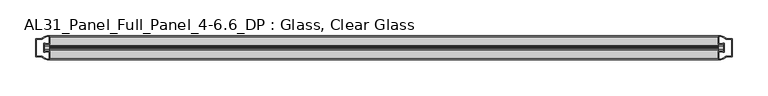
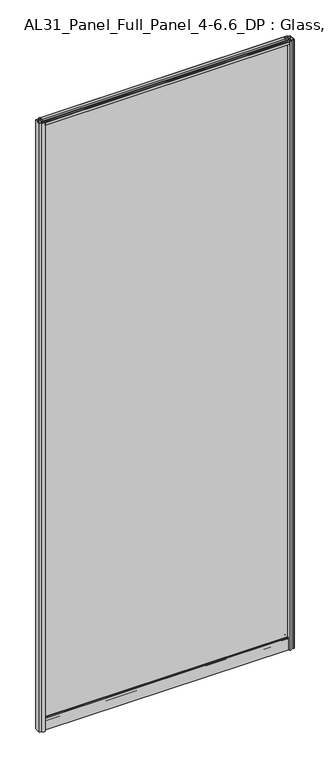
"""IFC4 building model written with IfcOpenShell, lengths in millimetres: plate geometry, AL31_Panel_Full_Panel_4-6.6_DP : Glass, Clear Glass."""

import ifcopenshell
import ifcopenshell.guid

model = None  # the IFC model being written
_history = None  # IfcOwnerHistory: only IFC2X3 demands one
_inside = {}  # id of a spatial element -> (the spatial element, [elements in it])
_under = {}  # id of a project, library or spatial element -> (it, [spatial elements below it])
_declared = {}  # id of a project -> (the project, [libraries it declares])
_typed = {}  # id of a type object -> (the type object, [elements of that type])
_made_of = {}  # id of a material, layer set ... -> (it, [elements and type objects made of it])


def new_model(schema):
    """Start an empty IFC model of exactly this schema.

    Asked for "IFC4X3", IfcOpenShell would pick the latest addendum, in which some entities
    have other attributes; the version numbers below select the first issue.
    IFC2X3 requires an IfcOwnerHistory on every rooted entity: one is made here for all.
    """
    global model, _history
    if schema == "IFC4X3":
        model = ifcopenshell.file(schema_version=(4, 3, 0, 0))
    else:
        model = ifcopenshell.file(schema=schema)
    _inside.clear()
    _under.clear()
    _declared.clear()
    _typed.clear()
    _made_of.clear()
    _history = None
    if model.schema == "IFC2X3":
        org = make("IfcOrganization", Name="unknown")
        user = make(
            "IfcPersonAndOrganization",
            ThePerson=make("IfcPerson", FamilyName="unknown"),
            TheOrganization=org,
        )
        app = make(
            "IfcApplication",
            ApplicationDeveloper=org,
            Version="unknown",
            ApplicationFullName="unknown",
            ApplicationIdentifier="unknown",
        )
        _history = make(
            "IfcOwnerHistory",
            OwningUser=user,
            OwningApplication=app,
            ChangeAction="ADDED",
            CreationDate=0,
        )
    return model


def make(cls, **values):
    """One entity of the class cls with the attributes given. An attribute that is None is left unset."""
    return model.create_entity(
        cls, **{name: value for name, value in values.items() if value is not None}
    )


def rooted(cls, **values):
    """An entity with a GlobalId (a new one), such as an element, a storey or a relation."""
    return make(cls, GlobalId=ifcopenshell.guid.new(), OwnerHistory=_history, **values)


def si_unit(unit_type, name, prefix=None):
    """IfcSIUnit, for example si_unit("LENGTHUNIT", "METRE", prefix="MILLI")."""
    return make("IfcSIUnit", UnitType=unit_type, Prefix=prefix, Name=name)


def assignment(units):
    """IfcUnitAssignment: the units of a project."""
    return None if units is None else make("IfcUnitAssignment", Units=units)


def point(xyz):
    """IfcCartesianPoint."""
    return None if xyz is None else make("IfcCartesianPoint", Coordinates=xyz)


def direction(xyz):
    """IfcDirection."""
    return None if xyz is None else make("IfcDirection", DirectionRatios=xyz)


def frame(location, z_axis=None, x_axis=None):
    """IfcAxis2Placement3D, a coordinate frame: its origin and axes. An axis left out is left unset."""
    return make(
        "IfcAxis2Placement3D",
        Location=point(location),
        Axis=direction(z_axis),
        RefDirection=direction(x_axis),
    )


def frame_2d(location, x_axis=None):
    """IfcAxis2Placement2D, a coordinate frame in the plane: its origin and x axis."""
    return make(
        "IfcAxis2Placement2D", Location=point(location), RefDirection=direction(x_axis)
    )


def origin():
    """The frame at (0, 0, 0) with its axes left unset."""
    return frame((0.0, 0.0, 0.0))


def origin_with_axes():
    """The frame at (0, 0, 0) with the z axis (0, 0, 1) and the x axis (1, 0, 0) written out."""
    return frame((0.0, 0.0, 0.0), z_axis=(0.0, 0.0, 1.0), x_axis=(1.0, 0.0, 0.0))


def place(relative_to, where):
    """IfcLocalPlacement: puts the frame where relative to a parent placement (None: the world)."""
    return make(
        "IfcLocalPlacement", PlacementRelTo=relative_to, RelativePlacement=where
    )


def context(
    kind, dimensions, precision=None, world=None, true_north=None, identifier=None
):
    """IfcGeometricRepresentationContext, for example the 3D "Model" context."""
    return make(
        "IfcGeometricRepresentationContext",
        ContextIdentifier=identifier,
        ContextType=kind,
        CoordinateSpaceDimension=dimensions,
        Precision=precision,
        WorldCoordinateSystem=world,
        TrueNorth=true_north,
    )


def project(units=None, contexts=None):
    """IfcProject with its units and contexts."""
    return rooted(
        "IfcProject",
        Name="project",
        RepresentationContexts=contexts,
        UnitsInContext=assignment(units),
    )


def spatial(cls, under=None, at=None, **own):
    """A site, building, storey or space (cls), placed at a placement, below another one or the project."""
    s = rooted(cls, ObjectPlacement=at, **own)
    if under is not None:
        _under.setdefault(under.id(), (under, []))[1].append(s)
    return s


def polyline(points):
    """IfcPolyline through the points."""
    return make("IfcPolyline", Points=[point(p) for p in points])


def circle_curve(where, radius):
    """IfcCircle in the frame where."""
    return make("IfcCircle", Position=where, Radius=radius)


def trimmed(basis, trim1, trim2, sense, master):
    """IfcTrimmedCurve: the piece of a basis curve between two trims."""
    return make(
        "IfcTrimmedCurve",
        BasisCurve=basis,
        Trim1=trim1,
        Trim2=trim2,
        SenseAgreement=sense,
        MasterRepresentation=master,
    )


def segment(curve, same_sense, transition):
    """IfcCompositeCurveSegment."""
    return make(
        "IfcCompositeCurveSegment",
        Transition=transition,
        SameSense=same_sense,
        ParentCurve=curve,
    )


def composite_curve(segments, self_intersect=None):
    """IfcCompositeCurve: segments joined end to end."""
    return make("IfcCompositeCurve", Segments=segments, SelfIntersect=self_intersect)


def outline(outer, holes=None, kind="AREA"):
    """IfcArbitraryClosedProfileDef: a profile drawn as a closed curve; with holes, ...WithVoids."""
    if holes is None:
        return make("IfcArbitraryClosedProfileDef", ProfileType=kind, OuterCurve=outer)
    return make(
        "IfcArbitraryProfileDefWithVoids",
        ProfileType=kind,
        OuterCurve=outer,
        InnerCurves=holes,
    )


def extrude(swept, where, along, depth):
    """IfcExtrudedAreaSolid: the profile swept, set in the frame where, extruded along a direction by depth."""
    return make(
        "IfcExtrudedAreaSolid",
        SweptArea=swept,
        Position=where,
        ExtrudedDirection=direction(along),
        Depth=depth,
    )


def shape(context_of_items, identifier, shape_type, items):
    """IfcShapeRepresentation: the items that make up one representation, for example the "Body"."""
    return make(
        "IfcShapeRepresentation",
        ContextOfItems=context_of_items,
        RepresentationIdentifier=identifier,
        RepresentationType=shape_type,
        Items=items,
    )


def source(mapping_origin, context_of_items, identifier, shape_type, items):
    """IfcRepresentationMap: a shape defined once, which mapped items show again and again."""
    return make(
        "IfcRepresentationMap",
        MappingOrigin=mapping_origin,
        MappedRepresentation=shape(context_of_items, identifier, shape_type, items),
    )


def transform(
    local_origin,
    x_axis=None,
    y_axis=None,
    z_axis=None,
    scale=None,
    scale2=None,
    scale3=None,
    uniform=True,
):
    """IfcCartesianTransformationOperator3D, or its non-uniform kind. x_axis, y_axis, z_axis: its Axis1, 2, 3."""
    if uniform:
        return make(
            "IfcCartesianTransformationOperator3D",
            Axis1=direction(x_axis),
            Axis2=direction(y_axis),
            LocalOrigin=point(local_origin),
            Scale=scale,
            Axis3=direction(z_axis),
        )
    return make(
        "IfcCartesianTransformationOperator3DnonUniform",
        Axis1=direction(x_axis),
        Axis2=direction(y_axis),
        LocalOrigin=point(local_origin),
        Scale=scale,
        Axis3=direction(z_axis),
        Scale2=scale2,
        Scale3=scale3,
    )


def mapped(mapping_source, mapping_target):
    """IfcMappedItem: shows the shape of a source again, moved by a transform."""
    return make(
        "IfcMappedItem", MappingSource=mapping_source, MappingTarget=mapping_target
    )


def made_of(thing, what):
    """Note that an element or type object is made of a material, layer set ...; save() writes the relation."""
    if what is not None:
        _made_of.setdefault(what.id(), (what, []))[1].append(thing)
    return thing


def element(
    cls,
    number,
    at=None,
    inside=None,
    cuts=None,
    type_object=None,
    material=None,
    context=None,
    identifier="Body",
    shape_type=None,
    held_by="IfcProductDefinitionShape",
    body=None,
    shapes=None,
    **own,
):
    """One element of the class cls, such as IfcWall. Its Tag is "e" and its number.

    at: its placement. inside: the storey or other place that contains it. cuts: it is an
    opening in that element (IfcRelVoidsElement). A single representation is given by context,
    identifier, shape_type and body (its items); several are given by shapes. held_by: the class
    of the entity that holds the representations. save() writes the other relations.
    """
    e = rooted(cls, Tag="e%d" % number, ObjectPlacement=at, **own)
    if body is not None:
        shapes = [shape(context, identifier, shape_type, body)]
    if shapes is not None:
        e.Representation = make(held_by, Representations=shapes)
    if inside is not None:
        _inside.setdefault(inside.id(), (inside, []))[1].append(e)
    if cuts is not None:
        rooted(
            "IfcRelVoidsElement", RelatingBuildingElement=cuts, RelatedOpeningElement=e
        )
    if type_object is not None:
        _typed.setdefault(type_object.id(), (type_object, []))[1].append(e)
    return made_of(e, material)


def aggregate(whole, parts):
    """IfcRelAggregates: a whole, such as a stair, and the parts it consists of."""
    return rooted("IfcRelAggregates", RelatingObject=whole, RelatedObjects=parts)


def save(model, path):
    """Write the relations noted so far, then the file.

    IfcRelAggregates (storeys below a building ...), IfcRelContainedInSpatialStructure (elements
    in a storey), IfcRelDefinesByType, IfcRelAssociatesMaterial and IfcRelDeclares: one each for
    every whole, place, type object, material and project.
    """
    for whole, parts in _under.values():
        aggregate(whole, parts)
    for where, things in _inside.values():
        rooted(
            "IfcRelContainedInSpatialStructure",
            RelatedElements=things,
            RelatingStructure=where,
        )
    for kind, things in _typed.values():
        rooted("IfcRelDefinesByType", RelatedObjects=things, RelatingType=kind)
    for what, things in _made_of.values():
        rooted("IfcRelAssociatesMaterial", RelatedObjects=things, RelatingMaterial=what)
    for by, libraries in _declared.values():
        rooted("IfcRelDeclares", RelatingContext=by, RelatedDefinitions=libraries)
    model.write(path)


def al31_panel_full_panel_4_6_6_dp_glass_clear_glass_6ff5a21a(model_context):
    return source(origin(), model_context, "Body", "SweptSolid", [
        extrude(outline(composite_curve([segment(trimmed(circle_curve(frame_2d((-19.957, 2461.8572926)), 3.0), [point((-18.457, 2464.4553688))], [point((-17.4851586, 2460.1572926))], False, "CARTESIAN"), True, "CONTINUOUS"), segment(polyline([(-17.4851586, 2460.1572926), (-4.157, 2460.1572926), (-4.157, 2469.5572926), (-2.857, 2469.5572926), (-2.857, 2459.0572926), (-13.1545312, 2459.0572926), (-13.1545312, 2458.2572926), (-13.6601218, 2456.3357964), (-13.6601218, 2451.6572926), (-14.857, 2451.6572926), (-14.857, 2456.9912672), (-14.357, 2457.8572926), (-14.357, 2459.0572926), (-25.357, 2459.0572926), (-25.357, 2457.8572926), (-24.857, 2456.9912672), (-24.857, 2451.6572926), (-26.0538782, 2451.6572926), (-26.0538782, 2456.3357964), (-26.5594688, 2458.2572926), (-26.5594688, 2459.0572926), (-36.857, 2459.0572926), (-36.857, 2469.5572926), (-35.557, 2469.5572926), (-35.557, 2460.1572926), (-22.4288414, 2460.1572926)]), True, "CONTINUOUS"), segment(trimmed(circle_curve(frame_2d((-19.957, 2461.8572926)), 3.0), [point((-22.4288414, 2460.1572926))], [point((-21.457, 2464.4553688))], False, "CARTESIAN"), True, "CONTINUOUS"), segment(polyline([(-21.457, 2464.4553688), (-20.907, 2463.5027409)]), True, "CONTINUOUS"), segment(trimmed(circle_curve(frame_2d((-19.957, 2461.8572926)), 1.9), [point((-20.907, 2463.5027409))], [point((-19.007, 2463.5027409))], True, "CARTESIAN"), True, "CONTINUOUS"), segment(polyline([(-19.007, 2463.5027409), (-18.457, 2464.4553688)]), True, "CONTINUOUS")], self_intersect=False)), frame((-468.7500505, 0.0, 0.0), z_axis=(1.0, 0.0, 0.0), x_axis=(0.0, 1.0, 0.0)), (0.0, 0.0, 1.0), 937.5001009),
        extrude(outline(composite_curve([segment(polyline([(-11.457, 35.8), (-28.257, 35.8)]), True, "CONTINUOUS"), segment(trimmed(circle_curve(frame_2d((-28.257, 34.8)), 1.0), [point((-28.257, 35.8))], [point((-29.257, 34.8))], True, "CARTESIAN"), True, "CONTINUOUS"), segment(polyline([(-29.257, 34.8), (-29.257, 33.5), (-24.8569697, 33.5), (-24.8569697, 32.3), (-29.257, 32.3), (-29.257, 0.0), (-30.457, 0.0), (-30.457, 47.3)]), True, "CONTINUOUS"), segment(trimmed(circle_curve(frame_2d((-28.457, 47.3)), 2.0), [point((-30.457, 47.3))], [point((-28.457, 49.3))], False, "CARTESIAN"), True, "CONTINUOUS"), segment(polyline([(-28.457, 49.3), (-24.857, 49.3), (-24.857, 41.9), (-14.857, 41.9), (-14.857, 49.3), (-11.257, 49.3)]), True, "CONTINUOUS"), segment(trimmed(circle_curve(frame_2d((-11.257, 47.3)), 2.0), [point((-11.257, 49.3))], [point((-9.257, 47.3))], False, "CARTESIAN"), True, "CONTINUOUS"), segment(polyline([(-9.257, 47.3), (-9.257, 0.0), (-10.457, 0.0), (-10.457, 32.3), (-14.8569697, 32.3), (-14.8569697, 33.5), (-10.457, 33.5), (-10.457, 34.8)]), True, "CONTINUOUS"), segment(trimmed(circle_curve(frame_2d((-11.457, 34.8)), 1.0), [point((-10.457, 34.8))], [point((-11.457, 35.8))], True, "CARTESIAN"), True, "CONTINUOUS")], self_intersect=False), holes=[composite_curve([segment(polyline([(-26.3594688, 41.8), (-26.3594688, 42.9)]), True, "CONTINUOUS"), segment(trimmed(circle_curve(frame_2d((-25.1594688, 42.9)), 1.2), [point((-26.3594688, 42.9))], [point((-25.9768184, 43.7786009))], False, "CARTESIAN"), True, "CONTINUOUS"), segment(polyline([(-25.9768184, 43.7786009), (-25.9768184, 48.2), (-28.257, 48.2)]), True, "CONTINUOUS"), segment(trimmed(circle_curve(frame_2d((-28.257, 47.2)), 1.0), [point((-28.257, 48.2))], [point((-29.257, 47.2))], True, "CARTESIAN"), True, "CONTINUOUS"), segment(polyline([(-29.257, 47.2), (-29.257, 37.04), (-22.6578965, 37.04), (-22.6578965, 38.0725806), (-21.6940508, 38.0725806)]), True, "CONTINUOUS"), segment(trimmed(circle_curve(frame_2d((-19.857, 39.1)), 2.1048387), [point((-21.6940508, 38.0725806))], [point((-18.0199492, 38.0725806))], True, "CARTESIAN"), True, "CONTINUOUS"), segment(polyline([(-18.0199492, 38.0725806), (-17.0561035, 38.0725806), (-17.0561035, 37.04), (-10.457, 37.04), (-10.457, 47.2)]), True, "CONTINUOUS"), segment(trimmed(circle_curve(frame_2d((-11.457, 47.2)), 1.0), [point((-10.457, 47.2))], [point((-11.457, 48.2))], True, "CARTESIAN"), True, "CONTINUOUS"), segment(polyline([(-11.457, 48.2), (-13.7371816, 48.2), (-13.7371816, 43.5786009)]), True, "CONTINUOUS"), segment(trimmed(circle_curve(frame_2d((-14.5545312, 42.7)), 1.2), [point((-13.7371816, 43.5786009))], [point((-13.3545312, 42.7))], False, "CARTESIAN"), True, "CONTINUOUS"), segment(polyline([(-13.3545312, 42.7), (-13.3545312, 41.8)]), True, "CONTINUOUS"), segment(trimmed(circle_curve(frame_2d((-14.3545312, 41.8)), 1.0), [point((-13.3545312, 41.8))], [point((-14.3545312, 40.8))], False, "CARTESIAN"), True, "CONTINUOUS"), segment(polyline([(-14.3545312, 40.8), (-17.0561035, 40.8), (-17.0561035, 39.7274194), (-18.0199492, 39.7274194)]), True, "CONTINUOUS"), segment(trimmed(circle_curve(frame_2d((-19.857, 38.7)), 2.1048387), [point((-18.0199492, 39.7274194))], [point((-21.6940508, 39.7274194))], True, "CARTESIAN"), True, "CONTINUOUS"), segment(polyline([(-21.6940508, 39.7274194), (-22.6578965, 39.7274194), (-22.6578965, 40.8), (-25.3594688, 40.8)]), True, "CONTINUOUS"), segment(trimmed(circle_curve(frame_2d((-25.3594688, 41.8)), 1.0), [point((-25.3594688, 40.8))], [point((-26.3594688, 41.8))], False, "CARTESIAN"), True, "CONTINUOUS")], self_intersect=False)]), frame((-468.7500505, 0.0, 0.0), z_axis=(1.0, 0.0, 0.0), x_axis=(0.0, 1.0, 0.0)), (0.0, 0.0, 1.0), 937.5001009),
        extrude(outline(composite_curve([segment(polyline([(-476.5914718, -25.757), (-475.3914718, -25.757), (-475.3914718, -24.857), (-468.7500505, -24.857), (-468.7500505, -36.8571453)]), True, "CONTINUOUS"), segment(trimmed(circle_curve(frame_2d((-468.3853989, -16.8604698)), 20.0), [point((-468.7500505, -36.8571453))], [point((-480.1058857, -33.0663388))], False, "CARTESIAN"), True, "CONTINUOUS"), segment(polyline([(-480.1058857, -33.0663388), (-480.1058857, -32.1849343), (-488.7500505, -32.1849343), (-488.7500505, -7.4849343), (-480.1058857, -7.4849343), (-480.1058857, -6.6474751)]), True, "CONTINUOUS"), segment(trimmed(circle_curve(frame_2d((-468.3853989, -22.8533441)), 20.0), [point((-480.1058857, -6.6474751))], [point((-468.7500505, -2.8566686))], False, "CARTESIAN"), True, "CONTINUOUS"), segment(polyline([(-468.7500505, -2.8566686), (-468.7500505, -14.857), (-475.3914718, -14.857), (-475.3914718, -13.957), (-476.5914718, -13.957), (-476.5914718, -25.757)]), True, "CONTINUOUS")], self_intersect=False), holes=[composite_curve([segment(trimmed(circle_curve(frame_2d((-475.5914718, -14.157)), 1.5), [point((-475.5914718, -12.657))], [point((-474.2362175, -13.5141269))], False, "CARTESIAN"), True, "CONTINUOUS"), segment(polyline([(-474.2362175, -13.5141269), (-470.4914718, -13.5141269), (-470.4914718, -8.917777), (-470.052132, -7.8571168), (-470.052132, -4.2070183)]), True, "CONTINUOUS"), segment(trimmed(circle_curve(frame_2d((-468.3853989, -22.8325921)), 18.7), [point((-470.052132, -4.2070183))], [point((-478.3921766, -7.0353013))], True, "CARTESIAN"), True, "CONTINUOUS"), segment(trimmed(circle_curve(frame_2d((-480.1914718, -6.9849343)), 1.8), [point((-478.3921766, -7.0353013))], [point((-480.1914718, -8.7849343))], False, "CARTESIAN"), True, "CONTINUOUS"), segment(polyline([(-480.1914718, -8.7849343), (-487.3328931, -8.7849343), (-487.3328931, -13.3550394), (-486.8914718, -14.417777), (-486.8914718, -25.2520916), (-487.3914718, -26.2449987), (-487.3914718, -30.8849343), (-480.1914718, -30.8849343)]), True, "CONTINUOUS"), segment(trimmed(circle_curve(frame_2d((-480.1914718, -32.6849343)), 1.8), [point((-480.1914718, -30.8849343))], [point((-478.3921766, -32.6345673))], False, "CARTESIAN"), True, "CONTINUOUS"), segment(trimmed(circle_curve(frame_2d((-468.3853989, -16.8372765)), 18.7), [point((-478.3921766, -32.6345673))], [point((-470.052132, -35.4628503))], True, "CARTESIAN"), True, "CONTINUOUS"), segment(polyline([(-470.052132, -35.4628503), (-470.052132, -31.8127518), (-470.4914718, -30.7520916), (-470.4914718, -26.1561308), (-474.2163201, -26.1561308)]), True, "CONTINUOUS"), segment(trimmed(circle_curve(frame_2d((-475.5914718, -25.557)), 1.5), [point((-474.2163201, -26.1561308))], [point((-475.5914718, -27.057))], False, "CARTESIAN"), True, "CONTINUOUS"), segment(polyline([(-475.5914718, -27.057), (-477.8914718, -27.057), (-477.8914718, -12.657), (-475.5914718, -12.657)]), True, "CONTINUOUS")], self_intersect=False)]), origin_with_axes(), (0.0, 0.0, 1.0), 2469.5572926),
        extrude(outline(composite_curve([segment(polyline([(476.5914718, -13.957), (475.3914718, -13.957), (475.3914718, -14.857), (468.7500505, -14.857), (468.7500505, -2.8568547)]), True, "CONTINUOUS"), segment(trimmed(circle_curve(frame_2d((468.3853989, -22.8535302)), 20.0), [point((468.7500505, -2.8568547))], [point((480.1058857, -6.6476612))], False, "CARTESIAN"), True, "CONTINUOUS"), segment(polyline([(480.1058857, -6.6476612), (480.1058857, -7.5290657), (488.7500505, -7.5290657), (488.7500505, -32.2290657), (480.1058857, -32.2290657), (480.1058857, -33.0665249)]), True, "CONTINUOUS"), segment(trimmed(circle_curve(frame_2d((468.3853989, -16.8606559)), 20.0), [point((480.1058857, -33.0665249))], [point((468.7500505, -36.8573314))], False, "CARTESIAN"), True, "CONTINUOUS"), segment(polyline([(468.7500505, -36.8573314), (468.7500505, -24.857), (475.3914718, -24.857), (475.3914718, -25.757), (476.5914718, -25.757), (476.5914718, -13.957)]), True, "CONTINUOUS")], self_intersect=False), holes=[composite_curve([segment(trimmed(circle_curve(frame_2d((475.5914718, -25.557)), 1.5), [point((475.5914718, -27.057))], [point((474.2362175, -26.1998731))], False, "CARTESIAN"), True, "CONTINUOUS"), segment(polyline([(474.2362175, -26.1998731), (470.4914718, -26.1998731), (470.4914718, -30.796223), (470.052132, -31.8568832), (470.052132, -35.5069817)]), True, "CONTINUOUS"), segment(trimmed(circle_curve(frame_2d((468.3853989, -16.8814079)), 18.7), [point((470.052132, -35.5069817))], [point((478.3921766, -32.6786987))], True, "CARTESIAN"), True, "CONTINUOUS"), segment(trimmed(circle_curve(frame_2d((480.1914718, -32.7290657)), 1.8), [point((478.3921766, -32.6786987))], [point((480.1914718, -30.9290657))], False, "CARTESIAN"), True, "CONTINUOUS"), segment(polyline([(480.1914718, -30.9290657), (487.3328931, -30.9290657), (487.3328931, -26.3589606), (486.8914718, -25.296223), (486.8914718, -14.4619084), (487.3914718, -13.4690013), (487.3914718, -8.8290657), (480.1914718, -8.8290657)]), True, "CONTINUOUS"), segment(trimmed(circle_curve(frame_2d((480.1914718, -7.0290657)), 1.8), [point((480.1914718, -8.8290657))], [point((478.3921766, -7.0794327))], False, "CARTESIAN"), True, "CONTINUOUS"), segment(trimmed(circle_curve(frame_2d((468.3853989, -22.8767235)), 18.7), [point((478.3921766, -7.0794327))], [point((470.052132, -4.2511497))], True, "CARTESIAN"), True, "CONTINUOUS"), segment(polyline([(470.052132, -4.2511497), (470.052132, -7.9012482), (470.4914718, -8.9619084), (470.4914718, -13.5578692), (474.2163201, -13.5578692)]), True, "CONTINUOUS"), segment(trimmed(circle_curve(frame_2d((475.5914718, -14.157)), 1.5), [point((474.2163201, -13.5578692))], [point((475.5914718, -12.657))], False, "CARTESIAN"), True, "CONTINUOUS"), segment(polyline([(475.5914718, -12.657), (477.8914718, -12.657), (477.8914718, -27.057), (475.5914718, -27.057)]), True, "CONTINUOUS")], self_intersect=False)]), origin_with_axes(), (0.0, 0.0, 1.0), 2469.5572926),
        extrude(outline(polyline([(476.5914718, -17.857), (476.5914718, -21.857), (-476.5914718, -21.857), (-476.5914718, -17.857), (476.5914718, -17.857)])), frame((0.0, 0.0, 41.9), z_axis=(0.0, 0.0, 1.0), x_axis=(1.0, 0.0, 0.0)), (0.0, 0.0, 1.0), 2417.1572926),
    ])


if __name__ == "__main__":
    model = new_model("IFC4")
    model_context = context("Model", 3, world=origin())
    ifc_project = project(units=[si_unit("LENGTHUNIT", "METRE", prefix="MILLI")], contexts=[model_context])
    site = spatial("IfcSite", under=ifc_project)
    building = spatial("IfcBuilding", under=site)
    placement = place(None, origin())
    al31_panel_full_panel_4_6_6_dp_glass_clear_glass_shape = al31_panel_full_panel_4_6_6_dp_glass_clear_glass_6ff5a21a(model_context)
    element("IfcPlate", 1, ObjectType="AL31_Panel_Full_Panel_4-6.6_DP : Glass, Clear Glass", at=placement, inside=building, context=model_context, shape_type="MappedRepresentation", body=[
        mapped(al31_panel_full_panel_4_6_6_dp_glass_clear_glass_shape, transform((0.0, 0.0, 0.0), x_axis=(1.0, 0.0, 0.0), y_axis=(0.0, 1.0, 0.0), z_axis=(0.0, 0.0, 1.0))),
    ])
    save(model, "model.ifc")
